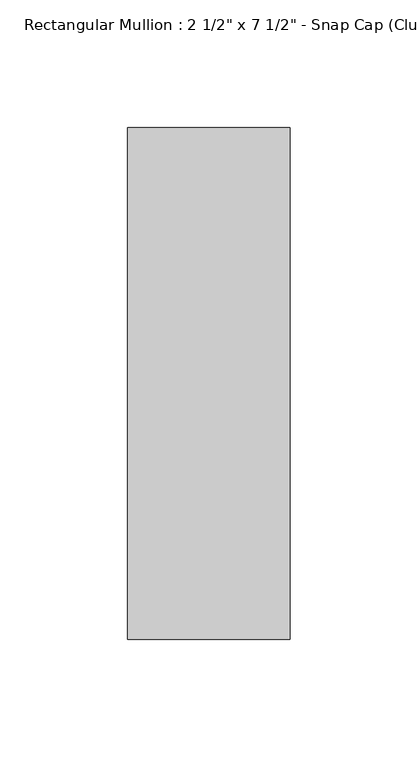
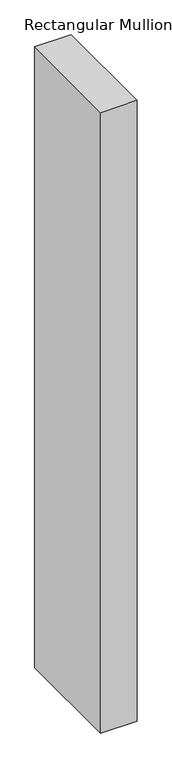
"""IFC4 building model written with IfcOpenShell, lengths in millimetres: member geometry."""

from ifc_helpers import new_model, si_unit, frame, origin, place, context, project, spatial, polyline, outline, extrude, source, transform, mapped, element, save


def member_662f2ac5(model_context):
    return source(origin(), model_context, "Body", "SweptSolid", [
        extrude(outline(polyline([(31.75, 25.8), (31.75, -174.2), (-31.75, -174.2), (-31.75, 25.8), (31.75, 25.8)])), frame((0.0, 0.0, -1147.6), z_axis=(0.0, 0.0, 1.0), x_axis=(1.0, 0.0, 0.0)), (0.0, 0.0, 1.0), 1147.6),
    ])


if __name__ == "__main__":
    model = new_model("IFC4")
    model_context = context("Model", 3, world=origin())
    ifc_project = project(units=[si_unit("LENGTHUNIT", "METRE", prefix="MILLI")], contexts=[model_context])
    site = spatial("IfcSite", under=ifc_project)
    building = spatial("IfcBuilding", under=site)
    placement = place(None, origin())
    member_shape = member_662f2ac5(model_context)
    element("IfcMember", 1, ObjectType="Rectangular Mullion : 2 1/2\" x 7 1/2\" - Snap Cap (Club)", at=placement, inside=building, context=model_context, shape_type="MappedRepresentation", body=[
        mapped(member_shape, transform((0.0, 0.0, 0.0), x_axis=(1.0, 0.0, 0.0), y_axis=(0.0, 1.0, 0.0), z_axis=(0.0, 0.0, 1.0))),
    ])
    save(model, "model.ifc")
